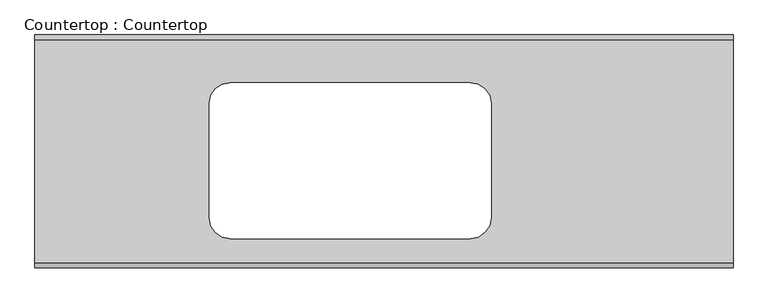
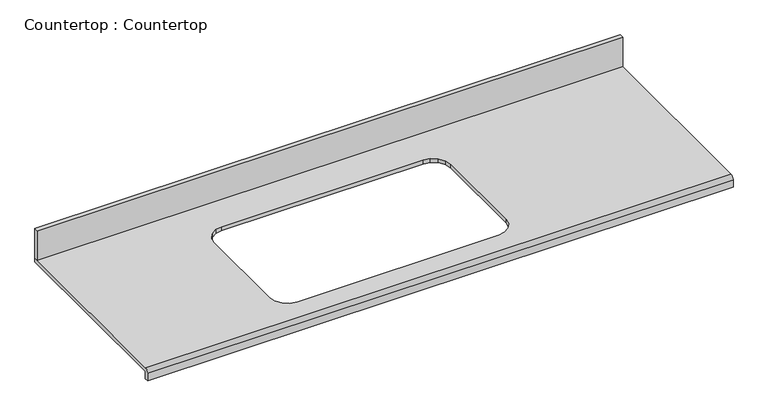
"""IFC4 building model written with IfcOpenShell, lengths in millimetres: proxy geometry, Countertop : Countertop."""

from ifc_helpers import new_model, si_unit, frame, origin, place, context, project, spatial, polyline, circle_curve, outline, extrude, source, transform, mapped, element, save
from ifc_brep_helpers import plane_surface, cylinder_surface, advanced_brep


def countertop_countertop_7d07a585(model_context):
    return source(origin(), model_context, "Body", "SolidModel", [
        extrude(outline(polyline([(1905.1022821, 0.0), (1905.1022821, -12.7), (0.0, -12.7), (0.0, 0.0), (1905.1022821, 0.0)])), frame((0.0, 0.0, 863.6), z_axis=(0.0, 0.0, 1.0), x_axis=(1.0, 0.0, 0.0)), (0.0, 0.0, 1.0), 101.6),
        advanced_brep(
        [(0.0, -622.3, 863.6), (0.0, 0.0, 863.6), (0.0, 0.0, 850.9), (0.0, -622.3, 850.9), (0.0, -622.3, 825.5), (0.0, -635.0, 825.5), (0.0, -635.0, 850.9), (1905.1022821, -622.3, 863.6), (1905.1022821, -635.0, 850.9), (1905.1022821, -635.0, 825.5), (1905.1022821, -622.3, 825.5), (1905.1022821, -622.3, 850.9), (1905.1022821, 0.0, 850.9), (1905.1022821, 0.0, 863.6), (492.7492067, -146.7254885, 863.6), (511.3303629, -134.3099484, 863.6), (532.6229124, -130.0745959, 863.6), (1188.1777551, -130.0745959, 863.6), (1209.4702512, -134.3099489, 863.6), (1228.0514384, -146.7254905, 863.6), (1240.4669306, -165.3066034, 863.6), (1244.7022821, -186.5991761, 863.6), (1244.7022821, -499.2540165, 863.6), (1240.466931, -520.5465591, 863.6), (1228.0514403, -539.1277271, 863.6), (1209.4702478, -551.5432437, 863.6), (1188.1777551, -555.7785959, 863.6), (532.6229124, -555.7785959, 863.6), (511.3303663, -551.5432441, 863.6), (492.7492047, -539.127729, 863.6), (480.3336577, -520.5465625, 863.6), (476.0983329, -499.2540124, 863.6), (476.0983329, -186.5991802, 863.6), (480.3336582, -165.3066, 863.6), (511.3303629, -134.3099484, 850.9), (492.7492067, -146.7254885, 850.9), (480.3336582, -165.3066, 850.9), (476.0983329, -186.5991802, 850.9), (476.0983329, -499.2540124, 850.9), (480.3336577, -520.5465625, 850.9), (492.7492047, -539.127729, 850.9), (511.3303663, -551.5432441, 850.9), (532.6229124, -555.7785959, 850.9), (1188.1777551, -555.7785959, 850.9), (1209.4702478, -551.5432437, 850.9), (1228.0514403, -539.1277271, 850.9), (1240.466931, -520.5465591, 850.9), (1244.7022821, -499.2540165, 850.9), (1244.7022821, -186.5991761, 850.9), (1240.4669306, -165.3066034, 850.9), (1228.0514384, -146.7254905, 850.9), (1209.4702512, -134.3099489, 850.9), (1188.1777551, -130.0745959, 850.9), (532.6229124, -130.0745959, 850.9)],
        [
            (0, 1),
            (1, 2),
            (2, 3),
            (3, 4),
            (4, 5),
            (5, 6),
            (6, 0, circle_curve(frame((0.0, -622.3, 850.9), z_axis=(-1.0, 0.0, 0.0), x_axis=(0.0, 1.0, 0.0)), 12.7)),
            (7, 8, circle_curve(frame((1905.1022821, -622.3, 850.9), z_axis=(1.0, 0.0, 0.0), x_axis=(0.0, 1.0, 0.0)), 12.7)),
            (8, 9),
            (9, 10),
            (10, 11),
            (11, 12),
            (12, 13),
            (13, 7),
            (0, 7),
            (13, 1),
            (14, 15),
            (15, 16),
            (16, 17),
            (17, 18),
            (18, 19),
            (19, 20),
            (20, 21),
            (21, 22),
            (22, 23),
            (23, 24),
            (24, 25),
            (25, 26),
            (26, 27),
            (27, 28),
            (28, 29),
            (29, 30),
            (30, 31),
            (31, 32),
            (32, 33),
            (33, 14),
            (12, 2),
            (11, 3),
            (34, 35),
            (35, 36),
            (36, 37),
            (37, 38),
            (38, 39),
            (39, 40),
            (40, 41),
            (41, 42),
            (42, 43),
            (43, 44),
            (44, 45),
            (45, 46),
            (46, 47),
            (47, 48),
            (48, 49),
            (49, 50),
            (50, 51),
            (51, 52),
            (52, 53),
            (53, 34),
            (10, 4),
            (9, 5),
            (8, 6),
            (34, 15),
            (14, 35),
            (33, 36),
            (32, 37),
            (31, 38),
            (30, 39),
            (29, 40),
            (28, 41),
            (27, 42),
            (26, 43),
            (25, 44),
            (24, 45),
            (23, 46),
            (22, 47),
            (21, 48),
            (20, 49),
            (19, 50),
            (18, 51),
            (17, 52),
            (16, 53),
        ],
        [
            plane_surface(frame((0.0, 0.0, 863.6), z_axis=(-1.0, 0.0, 0.0), x_axis=(0.0, 0.0, 1.0))),
            plane_surface(frame((1905.1022821, 0.0, 863.6), z_axis=(1.0, 0.0, 0.0), x_axis=(0.0, 0.0, 1.0))),
            plane_surface(frame((0.0, -622.3, 863.6), z_axis=(0.0, 0.0, 1.0), x_axis=(1.0, 0.0, 0.0))),
            plane_surface(frame((0.0, 0.0, 863.6), z_axis=(0.0, 1.0, 0.0), x_axis=(1.0, 0.0, 0.0))),
            plane_surface(frame((0.0, 0.0, 850.9), z_axis=(0.0, 0.0, -1.0), x_axis=(1.0, 0.0, 0.0))),
            plane_surface(frame((0.0, -622.3, 850.9), z_axis=(0.0, 1.0, 0.0), x_axis=(1.0, 0.0, 0.0))),
            plane_surface(frame((0.0, -622.3, 825.5), z_axis=(0.0, 0.0, -1.0), x_axis=(1.0, 0.0, 0.0))),
            plane_surface(frame((0.0, -635.0, 825.5), z_axis=(0.0, -1.0, 0.0), x_axis=(1.0, 0.0, 0.0))),
            cylinder_surface(frame((0.0, -622.3, 850.9), z_axis=(-1.0, 0.0, 0.0), x_axis=(0.0, 1.0, 0.0)), 12.7),
            plane_surface(frame((511.3303629, -134.3099484, 928.210099), z_axis=(0.5555704946525724, -0.8314694374849242, 0.0), x_axis=(0.0, 0.0, -1.0))),
            plane_surface(frame((492.7492067, -146.7254885, 928.210099), z_axis=(0.8314686464171007, -0.5555716785666045, 0.0), x_axis=(0.0, 0.0, -1.0))),
            plane_surface(frame((480.3336582, -165.3066, 928.210099), z_axis=(0.9807855650249105, -0.1950888911208609, 0.0), x_axis=(0.0, 0.0, -1.0))),
            plane_surface(frame((476.0983329, -186.5991802, 928.210099), z_axis=(1.0, 0.0, 0.0), x_axis=(0.0, 0.0, -1.0))),
            plane_surface(frame((476.0983329, -499.2540124, 928.210099), z_axis=(0.9807855162530119, 0.19508913631546243, 0.0), x_axis=(0.0, 0.0, -1.0))),
            plane_surface(frame((480.3336577, -520.5465625, 928.210099), z_axis=(0.8314694374849221, 0.5555704946525755, 0.0), x_axis=(0.0, 0.0, -1.0))),
            plane_surface(frame((492.7492047, -539.127729, 928.210099), z_axis=(0.5555696087274217, 0.8314700294409052, 0.0), x_axis=(0.0, 0.0, -1.0))),
            plane_surface(frame((511.3303663, -551.5432441, 928.210099), z_axis=(0.19509036900081717, 0.9807852710573935, 0.0), x_axis=(0.0, 0.0, -1.0))),
            plane_surface(frame((532.6229124, -555.7785959, 928.210099), z_axis=(0.0, 1.0, 0.0), x_axis=(0.0, 0.0, -1.0))),
            plane_surface(frame((1188.1777551, -555.7785959, 928.210099), z_axis=(-0.19509085939469806, 0.9807851735118339, 0.0), x_axis=(0.0, 0.0, -1.0))),
            plane_surface(frame((1209.4702478, -551.5432437, 928.210099), z_axis=(-0.5555690167719735, 0.8314704249719426, 0.0), x_axis=(0.0, 0.0, -1.0))),
            plane_surface(frame((1228.0514403, -539.1277271, 928.210099), z_axis=(-0.8314706213967956, 0.555568722800363, 0.0), x_axis=(0.0, 0.0, -1.0))),
            plane_surface(frame((1240.466931, -520.5465591, 928.210099), z_axis=(-0.9807852710574041, 0.1950903690007643, 0.0), x_axis=(0.0, 0.0, -1.0))),
            plane_surface(frame((1244.7022821, -499.2540165, 928.210099), z_axis=(-1.0, 0.0, 0.0), x_axis=(0.0, 0.0, -1.0))),
            plane_surface(frame((1244.7022821, -186.5991761, 928.210099), z_axis=(-0.9807853198298971, -0.19509012380478497, 0.0), x_axis=(0.0, 0.0, -1.0))),
            plane_surface(frame((1240.4669306, -165.3066034, 928.210099), z_axis=(-0.8314698303328858, -0.5555699067139996, 0.0), x_axis=(0.0, 0.0, -1.0))),
            plane_surface(frame((1228.0514384, -146.7254905, 928.210099), z_axis=(-0.555569902697024, -0.8314698330169408, 0.0), x_axis=(0.0, 0.0, -1.0))),
            plane_surface(frame((1209.4702512, -134.3099489, 928.210099), z_axis=(-0.1950908593946922, -0.9807851735118351, 0.0), x_axis=(0.0, 0.0, -1.0))),
            plane_surface(frame((1188.1777551, -130.0745959, 928.210099), z_axis=(0.0, -1.0, 0.0), x_axis=(0.0, 0.0, -1.0))),
            plane_surface(frame((532.6229124, -130.0745959, 928.210099), z_axis=(0.19509036900082258, -0.9807852710573925, 0.0), x_axis=(0.0, 0.0, -1.0))),
        ],
        [
            (0, [[1, 2, 3, 4, 5, 6, 7]]),
            (1, [[8, 9, 10, 11, 12, 13, 14]]),
            (2, [[-1, 15, -14, 16], [17, 18, 19, 20, 21, 22, 23, 24, 25, 26, 27, 28, 29, 30, 31, 32, 33, 34, 35, 36]]),
            (3, [[-2, -16, -13, 37]]),
            (4, [[-3, -37, -12, 38], [39, 40, 41, 42, 43, 44, 45, 46, 47, 48, 49, 50, 51, 52, 53, 54, 55, 56, 57, 58]]),
            (5, [[-4, -38, -11, 59]]),
            (6, [[-5, -59, -10, 60]]),
            (7, [[-6, -60, -9, 61]]),
            (8, [[-7, -61, -8, -15]]),
            (9, [[62, -17, 63, -39]]),
            (10, [[-63, -36, 64, -40]]),
            (11, [[-64, -35, 65, -41]]),
            (12, [[-65, -34, 66, -42]]),
            (13, [[-66, -33, 67, -43]]),
            (14, [[-67, -32, 68, -44]]),
            (15, [[-68, -31, 69, -45]]),
            (16, [[-69, -30, 70, -46]]),
            (17, [[-70, -29, 71, -47]]),
            (18, [[-71, -28, 72, -48]]),
            (19, [[-72, -27, 73, -49]]),
            (20, [[-73, -26, 74, -50]]),
            (21, [[-74, -25, 75, -51]]),
            (22, [[-75, -24, 76, -52]]),
            (23, [[-76, -23, 77, -53]]),
            (24, [[-77, -22, 78, -54]]),
            (25, [[-78, -21, 79, -55]]),
            (26, [[-79, -20, 80, -56]]),
            (27, [[81, -57, -80, -19]]),
            (28, [[-62, -58, -81, -18]]),
        ],
    ),
    ])


if __name__ == "__main__":
    model = new_model("IFC4")
    model_context = context("Model", 3, world=origin())
    ifc_project = project(units=[si_unit("LENGTHUNIT", "METRE", prefix="MILLI")], contexts=[model_context])
    site = spatial("IfcSite", under=ifc_project)
    building = spatial("IfcBuilding", under=site)
    placement = place(None, origin())
    countertop_countertop_shape = countertop_countertop_7d07a585(model_context)
    element("IfcBuildingElementProxy", 1, Name="Countertop : Countertop", ObjectType="Countertop : Countertop", at=placement, inside=building, context=model_context, shape_type="MappedRepresentation", body=[
        mapped(countertop_countertop_shape, transform((0.0, 0.0, 0.0), x_axis=(1.0, 0.0, 0.0), y_axis=(0.0, 1.0, 0.0), z_axis=(0.0, 0.0, 1.0))),
    ])
    save(model, "model.ifc")
